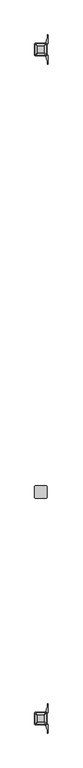
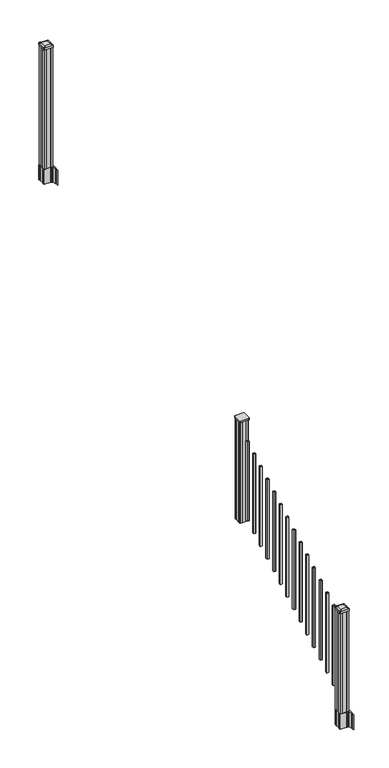
"""IFC4 building model written with IfcOpenShell, lengths in millimetres: railing geometry."""

import ifcopenshell
import ifcopenshell.guid

model = None  # the IFC model being written
_history = None  # IfcOwnerHistory: only IFC2X3 demands one
_inside = {}  # id of a spatial element -> (the spatial element, [elements in it])
_under = {}  # id of a project, library or spatial element -> (it, [spatial elements below it])
_declared = {}  # id of a project -> (the project, [libraries it declares])
_typed = {}  # id of a type object -> (the type object, [elements of that type])
_made_of = {}  # id of a material, layer set ... -> (it, [elements and type objects made of it])


def new_model(schema):
    """Start an empty IFC model of exactly this schema.

    Asked for "IFC4X3", IfcOpenShell would pick the latest addendum, in which some entities
    have other attributes; the version numbers below select the first issue.
    IFC2X3 requires an IfcOwnerHistory on every rooted entity: one is made here for all.
    """
    global model, _history
    if schema == "IFC4X3":
        model = ifcopenshell.file(schema_version=(4, 3, 0, 0))
    else:
        model = ifcopenshell.file(schema=schema)
    _inside.clear()
    _under.clear()
    _declared.clear()
    _typed.clear()
    _made_of.clear()
    _history = None
    if model.schema == "IFC2X3":
        org = make("IfcOrganization", Name="unknown")
        user = make(
            "IfcPersonAndOrganization",
            ThePerson=make("IfcPerson", FamilyName="unknown"),
            TheOrganization=org,
        )
        app = make(
            "IfcApplication",
            ApplicationDeveloper=org,
            Version="unknown",
            ApplicationFullName="unknown",
            ApplicationIdentifier="unknown",
        )
        _history = make(
            "IfcOwnerHistory",
            OwningUser=user,
            OwningApplication=app,
            ChangeAction="ADDED",
            CreationDate=0,
        )
    return model


def make(cls, **values):
    """One entity of the class cls with the attributes given. An attribute that is None is left unset."""
    return model.create_entity(
        cls, **{name: value for name, value in values.items() if value is not None}
    )


def rooted(cls, **values):
    """An entity with a GlobalId (a new one), such as an element, a storey or a relation."""
    return make(cls, GlobalId=ifcopenshell.guid.new(), OwnerHistory=_history, **values)


def si_unit(unit_type, name, prefix=None):
    """IfcSIUnit, for example si_unit("LENGTHUNIT", "METRE", prefix="MILLI")."""
    return make("IfcSIUnit", UnitType=unit_type, Prefix=prefix, Name=name)


def assignment(units):
    """IfcUnitAssignment: the units of a project."""
    return None if units is None else make("IfcUnitAssignment", Units=units)


def point(xyz):
    """IfcCartesianPoint."""
    return None if xyz is None else make("IfcCartesianPoint", Coordinates=xyz)


def direction(xyz):
    """IfcDirection."""
    return None if xyz is None else make("IfcDirection", DirectionRatios=xyz)


def frame(location, z_axis=None, x_axis=None):
    """IfcAxis2Placement3D, a coordinate frame: its origin and axes. An axis left out is left unset."""
    return make(
        "IfcAxis2Placement3D",
        Location=point(location),
        Axis=direction(z_axis),
        RefDirection=direction(x_axis),
    )


def frame_2d(location, x_axis=None):
    """IfcAxis2Placement2D, a coordinate frame in the plane: its origin and x axis."""
    return make(
        "IfcAxis2Placement2D", Location=point(location), RefDirection=direction(x_axis)
    )


def origin():
    """The frame at (0, 0, 0) with its axes left unset."""
    return frame((0.0, 0.0, 0.0))


def place(relative_to, where):
    """IfcLocalPlacement: puts the frame where relative to a parent placement (None: the world)."""
    return make(
        "IfcLocalPlacement", PlacementRelTo=relative_to, RelativePlacement=where
    )


def context(
    kind, dimensions, precision=None, world=None, true_north=None, identifier=None
):
    """IfcGeometricRepresentationContext, for example the 3D "Model" context."""
    return make(
        "IfcGeometricRepresentationContext",
        ContextIdentifier=identifier,
        ContextType=kind,
        CoordinateSpaceDimension=dimensions,
        Precision=precision,
        WorldCoordinateSystem=world,
        TrueNorth=true_north,
    )


def project(units=None, contexts=None):
    """IfcProject with its units and contexts."""
    return rooted(
        "IfcProject",
        Name="project",
        RepresentationContexts=contexts,
        UnitsInContext=assignment(units),
    )


def spatial(cls, under=None, at=None, **own):
    """A site, building, storey or space (cls), placed at a placement, below another one or the project."""
    s = rooted(cls, ObjectPlacement=at, **own)
    if under is not None:
        _under.setdefault(under.id(), (under, []))[1].append(s)
    return s


def polyline(points):
    """IfcPolyline through the points."""
    return make("IfcPolyline", Points=[point(p) for p in points])


def circle_curve(where, radius):
    """IfcCircle in the frame where."""
    return make("IfcCircle", Position=where, Radius=radius)


def trimmed(basis, trim1, trim2, sense, master):
    """IfcTrimmedCurve: the piece of a basis curve between two trims."""
    return make(
        "IfcTrimmedCurve",
        BasisCurve=basis,
        Trim1=trim1,
        Trim2=trim2,
        SenseAgreement=sense,
        MasterRepresentation=master,
    )


def segment(curve, same_sense, transition):
    """IfcCompositeCurveSegment."""
    return make(
        "IfcCompositeCurveSegment",
        Transition=transition,
        SameSense=same_sense,
        ParentCurve=curve,
    )


def composite_curve(segments, self_intersect=None):
    """IfcCompositeCurve: segments joined end to end."""
    return make("IfcCompositeCurve", Segments=segments, SelfIntersect=self_intersect)


def outline(outer, holes=None, kind="AREA"):
    """IfcArbitraryClosedProfileDef: a profile drawn as a closed curve; with holes, ...WithVoids."""
    if holes is None:
        return make("IfcArbitraryClosedProfileDef", ProfileType=kind, OuterCurve=outer)
    return make(
        "IfcArbitraryProfileDefWithVoids",
        ProfileType=kind,
        OuterCurve=outer,
        InnerCurves=holes,
    )


def extrude(swept, where, along, depth):
    """IfcExtrudedAreaSolid: the profile swept, set in the frame where, extruded along a direction by depth."""
    return make(
        "IfcExtrudedAreaSolid",
        SweptArea=swept,
        Position=where,
        ExtrudedDirection=direction(along),
        Depth=depth,
    )


def shape(context_of_items, identifier, shape_type, items):
    """IfcShapeRepresentation: the items that make up one representation, for example the "Body"."""
    return make(
        "IfcShapeRepresentation",
        ContextOfItems=context_of_items,
        RepresentationIdentifier=identifier,
        RepresentationType=shape_type,
        Items=items,
    )


def source(mapping_origin, context_of_items, identifier, shape_type, items):
    """IfcRepresentationMap: a shape defined once, which mapped items show again and again."""
    return make(
        "IfcRepresentationMap",
        MappingOrigin=mapping_origin,
        MappedRepresentation=shape(context_of_items, identifier, shape_type, items),
    )


def transform(
    local_origin,
    x_axis=None,
    y_axis=None,
    z_axis=None,
    scale=None,
    scale2=None,
    scale3=None,
    uniform=True,
):
    """IfcCartesianTransformationOperator3D, or its non-uniform kind. x_axis, y_axis, z_axis: its Axis1, 2, 3."""
    if uniform:
        return make(
            "IfcCartesianTransformationOperator3D",
            Axis1=direction(x_axis),
            Axis2=direction(y_axis),
            LocalOrigin=point(local_origin),
            Scale=scale,
            Axis3=direction(z_axis),
        )
    return make(
        "IfcCartesianTransformationOperator3DnonUniform",
        Axis1=direction(x_axis),
        Axis2=direction(y_axis),
        LocalOrigin=point(local_origin),
        Scale=scale,
        Axis3=direction(z_axis),
        Scale2=scale2,
        Scale3=scale3,
    )


def mapped(mapping_source, mapping_target):
    """IfcMappedItem: shows the shape of a source again, moved by a transform."""
    return make(
        "IfcMappedItem", MappingSource=mapping_source, MappingTarget=mapping_target
    )


def made_of(thing, what):
    """Note that an element or type object is made of a material, layer set ...; save() writes the relation."""
    if what is not None:
        _made_of.setdefault(what.id(), (what, []))[1].append(thing)
    return thing


def element(
    cls,
    number,
    at=None,
    inside=None,
    cuts=None,
    type_object=None,
    material=None,
    context=None,
    identifier="Body",
    shape_type=None,
    held_by="IfcProductDefinitionShape",
    body=None,
    shapes=None,
    **own,
):
    """One element of the class cls, such as IfcWall. Its Tag is "e" and its number.

    at: its placement. inside: the storey or other place that contains it. cuts: it is an
    opening in that element (IfcRelVoidsElement). A single representation is given by context,
    identifier, shape_type and body (its items); several are given by shapes. held_by: the class
    of the entity that holds the representations. save() writes the other relations.
    """
    e = rooted(cls, Tag="e%d" % number, ObjectPlacement=at, **own)
    if body is not None:
        shapes = [shape(context, identifier, shape_type, body)]
    if shapes is not None:
        e.Representation = make(held_by, Representations=shapes)
    if inside is not None:
        _inside.setdefault(inside.id(), (inside, []))[1].append(e)
    if cuts is not None:
        rooted(
            "IfcRelVoidsElement", RelatingBuildingElement=cuts, RelatedOpeningElement=e
        )
    if type_object is not None:
        _typed.setdefault(type_object.id(), (type_object, []))[1].append(e)
    return made_of(e, material)


def aggregate(whole, parts):
    """IfcRelAggregates: a whole, such as a stair, and the parts it consists of."""
    return rooted("IfcRelAggregates", RelatingObject=whole, RelatedObjects=parts)


def save(model, path):
    """Write the relations noted so far, then the file.

    IfcRelAggregates (storeys below a building ...), IfcRelContainedInSpatialStructure (elements
    in a storey), IfcRelDefinesByType, IfcRelAssociatesMaterial and IfcRelDeclares: one each for
    every whole, place, type object, material and project.
    """
    for whole, parts in _under.values():
        aggregate(whole, parts)
    for where, things in _inside.values():
        rooted(
            "IfcRelContainedInSpatialStructure",
            RelatedElements=things,
            RelatingStructure=where,
        )
    for kind, things in _typed.values():
        rooted("IfcRelDefinesByType", RelatedObjects=things, RelatingType=kind)
    for what, things in _made_of.values():
        rooted("IfcRelAssociatesMaterial", RelatedObjects=things, RelatingMaterial=what)
    for by, libraries in _declared.values():
        rooted("IfcRelDeclares", RelatingContext=by, RelatedDefinitions=libraries)
    model.write(path)


def plane_surface(at):
    """IfcPlane: the flat surface through the origin of the frame at, square to its z axis."""
    return make("IfcPlane", Position=at)


def extruded_surface(curve, direction_of_extrusion, depth):
    """IfcSurfaceOfLinearExtrusion: the curve pushed along a direction by depth."""
    return make(
        "IfcSurfaceOfLinearExtrusion",
        SweptCurve=make("IfcArbitraryOpenProfileDef", ProfileType="CURVE", Curve=curve),
        ExtrudedDirection=direction(direction_of_extrusion),
        Depth=depth,
    )


def advanced_brep(points, edges, surfaces, faces):
    """IfcAdvancedBrep: a solid bounded by faces that lie on surfaces and meet in shared edges.

    An edge is (start, end): straight between two places in points (the first is 0);
    or (start, end, curve); or (start, end, curve, False) where it runs against its curve.
    A face is (place in surfaces, loops), or (place, loops, False) where it looks against
    its surface's normal. A loop lists edges by number (the first is 1), with a minus sign
    where the edge is run from its end to its start. The first loop is the outer one.
    """
    corners = [point(p) for p in points]
    vertices = [make("IfcVertexPoint", VertexGeometry=c) for c in corners]
    made = []
    for start, end, *more in edges:
        made.append(
            make(
                "IfcEdgeCurve",
                EdgeStart=vertices[start],
                EdgeEnd=vertices[end],
                EdgeGeometry=more[0] if more else make("IfcPolyline", Points=[corners[start], corners[end]]),
                SameSense=more[1] if len(more) > 1 else True,
            )
        )
    hull = []
    for where, loops, *sense in faces:
        bounds = []
        for j, loop in enumerate(loops):
            ring = [make("IfcOrientedEdge", EdgeElement=made[abs(k) - 1], Orientation=k > 0) for k in loop]
            bounds.append(
                make(
                    "IfcFaceOuterBound" if j == 0 else "IfcFaceBound",
                    Bound=make("IfcEdgeLoop", EdgeList=ring),
                    Orientation=True,
                )
            )
        hull.append(make("IfcAdvancedFace", Bounds=bounds, FaceSurface=surfaces[where], SameSense=sense[0] if sense else True))
    return make("IfcAdvancedBrep", Outer=make("IfcClosedShell", CfsFaces=hull))


def railing_19fe849a(model_context):
    return source(origin(), model_context, "Body", "SolidModel", [
        extrude(outline(composite_curve([segment(polyline([(6151.9770784, -6077.7792181), (6067.8395784, -6077.7792181)]), True, "CONTINUOUS"), segment(trimmed(circle_curve(frame_2d((6067.8395784, -6074.6042181)), 3.175), [point((6067.8395784, -6077.7792181))], [point((6064.6645784, -6074.6042181))], False, "CARTESIAN"), True, "CONTINUOUS"), segment(polyline([(6064.6645784, -6074.6042181), (6064.6645784, -5990.4667181)]), True, "CONTINUOUS"), segment(trimmed(circle_curve(frame_2d((6067.8395784, -5990.4667181)), 3.175), [point((6064.6645784, -5990.4667181))], [point((6067.8395784, -5987.2917181))], False, "CARTESIAN"), True, "CONTINUOUS"), segment(polyline([(6067.8395784, -5987.2917181), (6151.9770784, -5987.2917181)]), True, "CONTINUOUS"), segment(trimmed(circle_curve(frame_2d((6151.9770784, -5990.4667181)), 3.175), [point((6151.9770784, -5987.2917181))], [point((6155.1520784, -5990.4667181))], False, "CARTESIAN"), True, "CONTINUOUS"), segment(polyline([(6155.1520784, -5990.4667181), (6155.1520784, -6074.6042181)]), True, "CONTINUOUS"), segment(trimmed(circle_curve(frame_2d((6151.9770784, -6074.6042181)), 3.175), [point((6155.1520784, -6074.6042181))], [point((6151.9770784, -6077.7792181))], False, "CARTESIAN"), True, "CONTINUOUS")], self_intersect=False)), frame((0.0, 0.0, 2110.2998186), z_axis=(0.0, 0.0, 1.0), x_axis=(1.0, 0.0, 0.0)), (0.0, 0.0, 1.0), 17.272),
        extrude(outline(polyline([(6149.5958284, -6073.8104681), (6129.9743284, -6073.8104681), (6129.2123284, -6072.2229681), (6090.6043284, -6072.2229681), (6089.8423284, -6073.8104681), (6070.2208284, -6073.8104681), (6068.6333284, -6072.2229681), (6068.6333284, -6052.6014681), (6070.2208284, -6051.8394681), (6070.2208284, -6013.2314681), (6068.6333284, -6012.4694681), (6068.6333284, -5992.8479681), (6070.2208284, -5991.2604681), (6089.8423284, -5991.2604681), (6090.6043284, -5992.8479681), (6129.2123284, -5992.8479681), (6129.9743284, -5991.2604681), (6149.5958284, -5991.2604681), (6151.1833284, -5992.8479681), (6151.1833284, -6012.4694681), (6149.5958284, -6013.2314681), (6149.5958284, -6051.8394681), (6151.1833284, -6052.6014681), (6151.1833284, -6072.2229681), (6149.5958284, -6073.8104681)])), frame((0.0, 0.0, 1078.9355556), z_axis=(0.0, 0.0, 1.0), x_axis=(1.0, 0.0, 0.0)), (0.0, 0.0, 1.0), 1031.364263),
        extrude(outline(polyline([(6100.3833284, -6137.5644681), (6100.3833284, -6118.5144681), (6119.4333284, -6118.5144681), (6119.4333284, -6137.5644681), (6100.3833284, -6137.5644681)]), holes=[polyline([(6100.7802034, -6137.1675931), (6119.0364534, -6137.1675931), (6119.0364534, -6118.9113431), (6100.7802034, -6118.9113431), (6100.7802034, -6137.1675931)])]), frame((0.0, 0.0, 1127.4736558), z_axis=(0.0, 0.0, 1.0), x_axis=(1.0, 0.0, 0.0)), (0.0, 0.0, 1.0), 812.8041219),
        extrude(outline(polyline([(6100.3833284, -6248.8164681), (6100.3833284, -6229.7664681), (6119.4333284, -6229.7664681), (6119.4333284, -6248.8164681), (6100.3833284, -6248.8164681)]), holes=[polyline([(6100.7802034, -6248.4195931), (6119.0364534, -6248.4195931), (6119.0364534, -6230.1633431), (6100.7802034, -6230.1633431), (6100.7802034, -6248.4195931)])]), frame((0.0, 0.0, 1065.6669892), z_axis=(0.0, 0.0, 1.0), x_axis=(1.0, 0.0, 0.0)), (0.0, 0.0, 1.0), 812.8041219),
        extrude(outline(polyline([(6100.3833284, -6360.0684681), (6100.3833284, -6341.0184681), (6119.4333284, -6341.0184681), (6119.4333284, -6360.0684681), (6100.3833284, -6360.0684681)]), holes=[polyline([(6100.7802034, -6359.6715931), (6119.0364534, -6359.6715931), (6119.0364534, -6341.4153431), (6100.7802034, -6341.4153431), (6100.7802034, -6359.6715931)])]), frame((0.0, 0.0, 1003.8603225), z_axis=(0.0, 0.0, 1.0), x_axis=(1.0, 0.0, 0.0)), (0.0, 0.0, 1.0), 812.8041219),
        extrude(outline(polyline([(6100.3833284, -6471.3204681), (6100.3833284, -6452.2704681), (6119.4333284, -6452.2704681), (6119.4333284, -6471.3204681), (6100.3833284, -6471.3204681)]), holes=[polyline([(6100.7802034, -6470.9235931), (6119.0364534, -6470.9235931), (6119.0364534, -6452.6673431), (6100.7802034, -6452.6673431), (6100.7802034, -6470.9235931)])]), frame((0.0, 0.0, 942.0536558), z_axis=(0.0, 0.0, 1.0), x_axis=(1.0, 0.0, 0.0)), (0.0, 0.0, 1.0), 812.8041219),
        extrude(outline(polyline([(6100.3833284, -6582.5724681), (6100.3833284, -6563.5224681), (6119.4333284, -6563.5224681), (6119.4333284, -6582.5724681), (6100.3833284, -6582.5724681)]), holes=[polyline([(6100.7802034, -6582.1755931), (6119.0364534, -6582.1755931), (6119.0364534, -6563.9193431), (6100.7802034, -6563.9193431), (6100.7802034, -6582.1755931)])]), frame((0.0, 0.0, 880.2469892), z_axis=(0.0, 0.0, 1.0), x_axis=(1.0, 0.0, 0.0)), (0.0, 0.0, 1.0), 812.8041219),
        extrude(outline(polyline([(6100.3833284, -6693.8244681), (6100.3833284, -6674.7744681), (6119.4333284, -6674.7744681), (6119.4333284, -6693.8244681), (6100.3833284, -6693.8244681)]), holes=[polyline([(6100.7802034, -6693.4275931), (6119.0364534, -6693.4275931), (6119.0364534, -6675.1713431), (6100.7802034, -6675.1713431), (6100.7802034, -6693.4275931)])]), frame((0.0, 0.0, 818.4403225), z_axis=(0.0, 0.0, 1.0), x_axis=(1.0, 0.0, 0.0)), (0.0, 0.0, 1.0), 812.8041219),
        extrude(outline(polyline([(6100.3833284, -6805.0764681), (6100.3833284, -6786.0264681), (6119.4333284, -6786.0264681), (6119.4333284, -6805.0764681), (6100.3833284, -6805.0764681)]), holes=[polyline([(6100.7802034, -6804.6795931), (6119.0364534, -6804.6795931), (6119.0364534, -6786.4233431), (6100.7802034, -6786.4233431), (6100.7802034, -6804.6795931)])]), frame((0.0, 0.0, 756.6336558), z_axis=(0.0, 0.0, 1.0), x_axis=(1.0, 0.0, 0.0)), (0.0, 0.0, 1.0), 812.8041219),
        extrude(outline(polyline([(6100.3833284, -6916.3284681), (6100.3833284, -6897.2784681), (6119.4333284, -6897.2784681), (6119.4333284, -6916.3284681), (6100.3833284, -6916.3284681)]), holes=[polyline([(6100.7802034, -6915.9315931), (6119.0364534, -6915.9315931), (6119.0364534, -6897.6753431), (6100.7802034, -6897.6753431), (6100.7802034, -6915.9315931)])]), frame((0.0, 0.0, 694.8269892), z_axis=(0.0, 0.0, 1.0), x_axis=(1.0, 0.0, 0.0)), (0.0, 0.0, 1.0), 812.8041219),
        extrude(outline(polyline([(6100.3833284, -7027.5804681), (6100.3833284, -7008.5304681), (6119.4333284, -7008.5304681), (6119.4333284, -7027.5804681), (6100.3833284, -7027.5804681)]), holes=[polyline([(6100.7802034, -7027.1835931), (6119.0364534, -7027.1835931), (6119.0364534, -7008.9273431), (6100.7802034, -7008.9273431), (6100.7802034, -7027.1835931)])]), frame((0.0, 0.0, 633.0203225), z_axis=(0.0, 0.0, 1.0), x_axis=(1.0, 0.0, 0.0)), (0.0, 0.0, 1.0), 812.8041219),
        extrude(outline(polyline([(6100.3833284, -7138.8324681), (6100.3833284, -7119.7824681), (6119.4333284, -7119.7824681), (6119.4333284, -7138.8324681), (6100.3833284, -7138.8324681)]), holes=[polyline([(6100.7802034, -7138.4355931), (6119.0364534, -7138.4355931), (6119.0364534, -7120.1793431), (6100.7802034, -7120.1793431), (6100.7802034, -7138.4355931)])]), frame((0.0, 0.0, 571.2136558), z_axis=(0.0, 0.0, 1.0), x_axis=(1.0, 0.0, 0.0)), (0.0, 0.0, 1.0), 812.8041219),
        extrude(outline(polyline([(6100.3833284, -7250.0844681), (6100.3833284, -7231.0344681), (6119.4333284, -7231.0344681), (6119.4333284, -7250.0844681), (6100.3833284, -7250.0844681)]), holes=[polyline([(6100.7802034, -7249.6875931), (6119.0364534, -7249.6875931), (6119.0364534, -7231.4313431), (6100.7802034, -7231.4313431), (6100.7802034, -7249.6875931)])]), frame((0.0, 0.0, 509.4069892), z_axis=(0.0, 0.0, 1.0), x_axis=(1.0, 0.0, 0.0)), (0.0, 0.0, 1.0), 812.8041219),
        extrude(outline(polyline([(6100.3833284, -7361.3364681), (6100.3833284, -7342.2864681), (6119.4333284, -7342.2864681), (6119.4333284, -7361.3364681), (6100.3833284, -7361.3364681)]), holes=[polyline([(6100.7802034, -7360.9395931), (6119.0364534, -7360.9395931), (6119.0364534, -7342.6833431), (6100.7802034, -7342.6833431), (6100.7802034, -7360.9395931)])]), frame((0.0, 0.0, 447.6003225), z_axis=(0.0, 0.0, 1.0), x_axis=(1.0, 0.0, 0.0)), (0.0, 0.0, 1.0), 812.8041219),
        extrude(outline(polyline([(6100.3833284, -7472.5884681), (6100.3833284, -7453.5384681), (6119.4333284, -7453.5384681), (6119.4333284, -7472.5884681), (6100.3833284, -7472.5884681)]), holes=[polyline([(6100.7802034, -7472.1915931), (6119.0364534, -7472.1915931), (6119.0364534, -7453.9353431), (6100.7802034, -7453.9353431), (6100.7802034, -7472.1915931)])]), frame((0.0, 0.0, 385.7936558), z_axis=(0.0, 0.0, 1.0), x_axis=(1.0, 0.0, 0.0)), (0.0, 0.0, 1.0), 812.8041219),
        extrude(outline(polyline([(6100.3833284, -7583.8404681), (6100.3833284, -7564.7904681), (6119.4333284, -7564.7904681), (6119.4333284, -7583.8404681), (6100.3833284, -7583.8404681)]), holes=[polyline([(6100.7802034, -7583.4435931), (6119.0364534, -7583.4435931), (6119.0364534, -7565.1873431), (6100.7802034, -7565.1873431), (6100.7802034, -7583.4435931)])]), frame((0.0, 0.0, 323.9869892), z_axis=(0.0, 0.0, 1.0), x_axis=(1.0, 0.0, 0.0)), (0.0, 0.0, 1.0), 812.8041219),
        extrude(outline(polyline([(6149.5958284, -2792.8924681), (6129.9743284, -2792.8924681), (6129.2123284, -2791.3049681), (6090.6043284, -2791.3049681), (6089.8423284, -2792.8924681), (6070.2208284, -2792.8924681), (6068.6333284, -2791.3049681), (6068.6333284, -2771.6834681), (6070.2208284, -2770.9214681), (6070.2208284, -2732.3134681), (6068.6333284, -2731.5514681), (6068.6333284, -2711.9299681), (6070.2208284, -2710.3424681), (6089.8423284, -2710.3424681), (6090.6043284, -2711.9299681), (6129.2123284, -2711.9299681), (6129.9743284, -2710.3424681), (6149.5958284, -2710.3424681), (6151.1833284, -2711.9299681), (6151.1833284, -2731.5514681), (6149.5958284, -2732.3134681), (6149.5958284, -2770.9214681), (6151.1833284, -2771.6834681), (6151.1833284, -2791.3049681), (6149.5958284, -2792.8924681)])), frame((0.0, 0.0, 2709.3333333), z_axis=(0.0, 0.0, 1.0), x_axis=(1.0, 0.0, 0.0)), (0.0, 0.0, 1.0), 1223.6987075),
        extrude(outline(composite_curve([segment(polyline([(6067.1728284, -2769.003563), (6067.1728284, -2734.2313732), (6065.5853284, -2733.4693732), (6065.5853284, -2710.6674452), (6068.9583054, -2707.2944681), (6130.4179763, -2707.2944681), (6130.4179763, -2706.3737181), (6135.7355201, -2706.3737181), (6135.7355201, -2704.9194634), (6140.8200498, -2704.9194634), (6140.8200498, -2703.6354396), (6142.4873221, -2703.6354396)]), True, "CONTINUOUS"), segment(trimmed(circle_curve(frame_2d((6142.4873221, -2696.5759797)), 7.0594599), [point((6142.4873221, -2703.6354396))], [point((6149.2545849, -2698.5859864))], True, "CARTESIAN"), True, "CONTINUOUS"), segment(polyline([(6149.2545849, -2698.5859864), (6157.1287792, -2672.0752573)]), True, "CONTINUOUS"), segment(trimmed(circle_curve(frame_2d((6102.3442659, -2655.8032076)), 57.15), [point((6157.1287792, -2672.0752573))], [point((6159.4942659, -2655.8032076))], True, "CARTESIAN"), True, "CONTINUOUS"), segment(polyline([(6159.4942659, -2655.8032076), (6159.4942659, -2643.7944681), (6162.4942659, -2643.7944681), (6162.4942659, -2708.8819681), (6154.2313284, -2720.2202594), (6154.2313284, -2733.4693732), (6152.6438284, -2734.2313732), (6152.6438284, -2769.003563), (6154.2313284, -2769.765563), (6154.2313284, -2783.0146768), (6162.4942659, -2794.3529681), (6162.4942659, -2859.4404681), (6159.4942659, -2859.4404681), (6159.4942659, -2847.4317285)]), True, "CONTINUOUS"), segment(trimmed(circle_curve(frame_2d((6102.3442659, -2847.4317285)), 57.15), [point((6159.4942659, -2847.4317285))], [point((6157.1287792, -2831.1596789))], True, "CARTESIAN"), True, "CONTINUOUS"), segment(polyline([(6157.1287792, -2831.1596789), (6149.2545849, -2804.6489498)]), True, "CONTINUOUS"), segment(trimmed(circle_curve(frame_2d((6142.4873221, -2806.6589565)), 7.0594599), [point((6149.2545849, -2804.6489498))], [point((6142.4873221, -2799.5994966))], True, "CARTESIAN"), True, "CONTINUOUS"), segment(polyline([(6142.4873221, -2799.5994966), (6140.8200498, -2799.5994966), (6140.8200498, -2798.3154728), (6135.7355201, -2798.3154728), (6135.7355201, -2796.8612181), (6130.4179763, -2796.8612181), (6130.4179763, -2795.9404681), (6068.9583054, -2795.9404681), (6065.5853284, -2792.567491), (6065.5853284, -2769.765563), (6067.1728284, -2769.003563)]), True, "CONTINUOUS")], self_intersect=False), holes=[polyline([(6151.1833284, -2711.9299681), (6149.5958284, -2710.3424681), (6112.6715458, -2710.3424681), (6070.2208284, -2710.3424681), (6068.6333284, -2711.9299681), (6068.6333284, -2791.3049681), (6070.2208284, -2792.8924681), (6112.6715458, -2792.8924681), (6149.5958284, -2792.8924681), (6151.1833284, -2791.3049681), (6151.1833284, -2711.9299681)])]), frame((0.0, 0.0, 2556.9333333), z_axis=(0.0, 0.0, 1.0), x_axis=(1.0, 0.0, 0.0)), (0.0, 0.0, 1.0), 152.4),
        advanced_brep(
        [(6135.7052034, -2780.5893431, 3961.6070408), (6138.8802034, -2777.4143431, 3961.6070408), (6138.8802034, -2725.8205931, 3961.6070408), (6135.7052034, -2722.6455931, 3961.6070408), (6084.1114534, -2722.6455931, 3961.6070408), (6080.9364534, -2725.8205931, 3961.6070408), (6080.9364534, -2777.4143431, 3961.6070408), (6084.1114534, -2780.5893431, 3961.6070408), (6151.9770784, -2796.8612181, 3950.3040408), (6067.8395784, -2796.8612181, 3950.3040408), (6064.6645784, -2793.6862181, 3950.3040408), (6064.6645784, -2709.5487181, 3950.3040408), (6067.8395784, -2706.3737181, 3950.3040408), (6151.9770784, -2706.3737181, 3950.3040408), (6155.1520784, -2709.5487181, 3950.3040408), (6155.1520784, -2793.6862181, 3950.3040408)],
        [
            (0, 1, circle_curve(frame((6135.7052034, -2777.4143431, 3961.6070408), z_axis=(0.0, 0.0, 1.0), x_axis=(0.0, 1.0, 0.0)), 3.175)),
            (1, 2),
            (2, 3, circle_curve(frame((6135.7052034, -2725.8205931, 3961.6070408), z_axis=(0.0, 0.0, 1.0), x_axis=(0.0, 1.0, 0.0)), 3.175)),
            (3, 4),
            (4, 5, circle_curve(frame((6084.1114534, -2725.8205931, 3961.6070408), z_axis=(0.0, 0.0, 1.0), x_axis=(0.0, 1.0, 0.0)), 3.175)),
            (5, 6),
            (6, 7, circle_curve(frame((6084.1114534, -2777.4143431, 3961.6070408), z_axis=(0.0, 0.0, 1.0), x_axis=(0.0, 1.0, 0.0)), 3.175)),
            (7, 0),
            (8, 9),
            (9, 10, circle_curve(frame((6067.8395784, -2793.6862181, 3950.3040408), z_axis=(0.0, 0.0, -1.0), x_axis=(0.0, 1.0, 0.0)), 3.175)),
            (10, 11),
            (11, 12, circle_curve(frame((6067.8395784, -2709.5487181, 3950.3040408), z_axis=(0.0, 0.0, -1.0), x_axis=(0.0, 1.0, 0.0)), 3.175)),
            (12, 13),
            (13, 14, circle_curve(frame((6151.9770784, -2709.5487181, 3950.3040408), z_axis=(0.0, 0.0, -1.0), x_axis=(0.0, 1.0, 0.0)), 3.175)),
            (14, 15),
            (15, 8, circle_curve(frame((6151.9770784, -2793.6862181, 3950.3040408), z_axis=(0.0, 0.0, -1.0), x_axis=(0.0, 1.0, 0.0)), 3.175)),
            (15, 1),
            (0, 8),
            (14, 2),
            (13, 3),
            (12, 4),
            (11, 5),
            (10, 6),
            (9, 7),
        ],
        [
            plane_surface(frame((6109.9083284, -2751.6174681, 3961.6070408), z_axis=(0.0, 0.0, 1.0), x_axis=(1.0, 0.0, 0.0))),
            plane_surface(frame((6109.9083284, -2751.6174681, 3950.3040408), z_axis=(0.0, 0.0, -1.0), x_axis=(1.0, 0.0, 0.0))),
            extruded_surface(trimmed(circle_curve(frame((6151.9770784, -2793.6862181, 3950.3040408), z_axis=(0.0, 0.0, 1.0), x_axis=(0.0, 1.0, 0.0)), 3.175), [point((6151.9770784, -2796.8612181, 3950.3040408))], [point((6155.1520784, -2793.6862181, 3950.3040408))], True, "CARTESIAN"), (-16.271875000000364, 16.27187499999991, 11.302999999999884), 25.637972638866284),
            plane_surface(frame((6155.1520784, -2751.6174681, 3950.3040408), z_axis=(0.5705009161540686, 0.0, 0.8212969649690474), x_axis=(0.0, 1.0, 0.0))),
            extruded_surface(trimmed(circle_curve(frame((6151.9770784, -2709.5487181, 3950.3040408), z_axis=(0.0, 0.0, 1.0), x_axis=(0.0, 1.0, 0.0)), 3.175), [point((6155.1520784, -2709.5487181, 3950.3040408))], [point((6151.9770784, -2706.3737181, 3950.3040408))], True, "CARTESIAN"), (-16.271875000000364, -16.271875000000364, 11.302999999999884), 25.63797263886657),
            plane_surface(frame((6109.9083284, -2706.3737181, 3950.3040408), z_axis=(0.0, 0.5705009161540291, 0.8212969649690747), x_axis=(-1.0, 0.0, 0.0))),
            extruded_surface(trimmed(circle_curve(frame((6067.8395784, -2709.5487181, 3950.3040408), z_axis=(0.0, 0.0, 1.0), x_axis=(0.0, 1.0, 0.0)), 3.175), [point((6067.8395784, -2706.3737181, 3950.3040408))], [point((6064.6645784, -2709.5487181, 3950.3040408))], True, "CARTESIAN"), (16.271874999999454, -16.271875000000364, 11.302999999999884), 25.637972638865996),
            plane_surface(frame((6064.6645784, -2751.6174681, 3950.3040408), z_axis=(-0.5705009161540234, 0.0, 0.8212969649690787), x_axis=(0.0, -1.0, 0.0))),
            extruded_surface(trimmed(circle_curve(frame((6067.8395784, -2793.6862181, 3950.3040408), z_axis=(0.0, 0.0, 1.0), x_axis=(0.0, 1.0, 0.0)), 3.175), [point((6064.6645784, -2793.6862181, 3950.3040408))], [point((6067.8395784, -2796.8612181, 3950.3040408))], True, "CARTESIAN"), (16.271874999999454, 16.27187499999991, 11.302999999999884), 25.63797263886571),
            plane_surface(frame((6109.9083284, -2796.8612181, 3950.3040408), z_axis=(0.0, -0.570500916154034, 0.8212969649690713), x_axis=(1.0, 0.0, 0.0))),
        ],
        [
            (0, [[1, 2, 3, 4, 5, 6, 7, 8]]),
            (1, [[9, 10, 11, 12, 13, 14, 15, 16]]),
            (2, [[-16, 17, -1, 18]]),
            (3, [[-15, 19, -2, -17]]),
            (4, [[-14, 20, -3, -19]]),
            (5, [[-13, 21, -4, -20]]),
            (6, [[-12, 22, -5, -21]]),
            (7, [[-11, 23, -6, -22]]),
            (8, [[-10, 24, -7, -23]]),
            (9, [[-9, -18, -8, -24]]),
        ],
    ),
        extrude(outline(composite_curve([segment(polyline([(6151.9770784, -2796.8612181), (6067.8395784, -2796.8612181)]), True, "CONTINUOUS"), segment(trimmed(circle_curve(frame_2d((6067.8395784, -2793.6862181)), 3.175), [point((6067.8395784, -2796.8612181))], [point((6064.6645784, -2793.6862181))], False, "CARTESIAN"), True, "CONTINUOUS"), segment(polyline([(6064.6645784, -2793.6862181), (6064.6645784, -2709.5487181)]), True, "CONTINUOUS"), segment(trimmed(circle_curve(frame_2d((6067.8395784, -2709.5487181)), 3.175), [point((6064.6645784, -2709.5487181))], [point((6067.8395784, -2706.3737181))], False, "CARTESIAN"), True, "CONTINUOUS"), segment(polyline([(6067.8395784, -2706.3737181), (6151.9770784, -2706.3737181)]), True, "CONTINUOUS"), segment(trimmed(circle_curve(frame_2d((6151.9770784, -2709.5487181)), 3.175), [point((6151.9770784, -2706.3737181))], [point((6155.1520784, -2709.5487181))], False, "CARTESIAN"), True, "CONTINUOUS"), segment(polyline([(6155.1520784, -2709.5487181), (6155.1520784, -2793.6862181)]), True, "CONTINUOUS"), segment(trimmed(circle_curve(frame_2d((6151.9770784, -2793.6862181)), 3.175), [point((6155.1520784, -2793.6862181))], [point((6151.9770784, -2796.8612181))], False, "CARTESIAN"), True, "CONTINUOUS")], self_intersect=False)), frame((0.0, 0.0, 3933.0320408), z_axis=(0.0, 0.0, 1.0), x_axis=(1.0, 0.0, 0.0)), (0.0, 0.0, 1.0), 17.272),
        extrude(outline(composite_curve([segment(polyline([(6067.1728284, -7728.607563), (6067.1728284, -7693.8353732), (6065.5853284, -7693.0733732), (6065.5853284, -7670.2714452), (6068.9583054, -7666.8984681), (6130.4179763, -7666.8984681), (6130.4179763, -7665.9777181), (6135.7355201, -7665.9777181), (6135.7355201, -7664.5234634), (6140.8200498, -7664.5234634), (6140.8200498, -7663.2394396), (6142.4873221, -7663.2394396)]), True, "CONTINUOUS"), segment(trimmed(circle_curve(frame_2d((6142.4873221, -7656.1799797)), 7.0594599), [point((6142.4873221, -7663.2394396))], [point((6149.2545849, -7658.1899864))], True, "CARTESIAN"), True, "CONTINUOUS"), segment(polyline([(6149.2545849, -7658.1899864), (6157.1287792, -7631.6792573)]), True, "CONTINUOUS"), segment(trimmed(circle_curve(frame_2d((6102.3442659, -7615.4072076)), 57.15), [point((6157.1287792, -7631.6792573))], [point((6159.4942659, -7615.4072076))], True, "CARTESIAN"), True, "CONTINUOUS"), segment(polyline([(6159.4942659, -7615.4072076), (6159.4942659, -7603.3984681), (6162.4942659, -7603.3984681), (6162.4942659, -7668.4859681), (6154.2313284, -7679.8242594), (6154.2313284, -7693.0733732), (6152.6438284, -7693.8353732), (6152.6438284, -7728.607563), (6154.2313284, -7729.369563), (6154.2313284, -7742.6186768), (6162.4942659, -7753.9569681), (6162.4942659, -7819.0444681), (6159.4942659, -7819.0444681), (6159.4942659, -7807.0357285)]), True, "CONTINUOUS"), segment(trimmed(circle_curve(frame_2d((6102.3442659, -7807.0357285)), 57.15), [point((6159.4942659, -7807.0357285))], [point((6157.1287792, -7790.7636789))], True, "CARTESIAN"), True, "CONTINUOUS"), segment(polyline([(6157.1287792, -7790.7636789), (6149.2545849, -7764.2529498)]), True, "CONTINUOUS"), segment(trimmed(circle_curve(frame_2d((6142.4873221, -7766.2629565)), 7.0594599), [point((6149.2545849, -7764.2529498))], [point((6142.4873221, -7759.2034966))], True, "CARTESIAN"), True, "CONTINUOUS"), segment(polyline([(6142.4873221, -7759.2034966), (6140.8200498, -7759.2034966), (6140.8200498, -7757.9194728), (6135.7355201, -7757.9194728), (6135.7355201, -7756.4652181), (6130.4179763, -7756.4652181), (6130.4179763, -7755.5444681), (6068.9583054, -7755.5444681), (6065.5853284, -7752.171491), (6065.5853284, -7729.369563), (6067.1728284, -7728.607563)]), True, "CONTINUOUS")], self_intersect=False), holes=[polyline([(6151.1833284, -7671.5339681), (6149.5958284, -7669.9464681), (6112.6715458, -7669.9464681), (6070.2208284, -7669.9464681), (6068.6333284, -7671.5339681), (6068.6333284, -7750.9089681), (6070.2208284, -7752.4964681), (6112.6715458, -7752.4964681), (6149.5958284, -7752.4964681), (6151.1833284, -7750.9089681), (6151.1833284, -7671.5339681)])]), frame((0.0, 0.0, -6.0677778), z_axis=(0.0, 0.0, 1.0), x_axis=(1.0, 0.0, 0.0)), (0.0, 0.0, 1.0), 152.4),
        advanced_brep(
        [(6135.7052034, -7740.1933431, 1206.2714852), (6138.8802034, -7737.0183431, 1206.2714852), (6138.8802034, -7685.4245931, 1206.2714852), (6135.7052034, -7682.2495931, 1206.2714852), (6084.1114534, -7682.2495931, 1206.2714852), (6080.9364534, -7685.4245931, 1206.2714852), (6080.9364534, -7737.0183431, 1206.2714852), (6084.1114534, -7740.1933431, 1206.2714852), (6151.9770784, -7756.4652181, 1194.9684852), (6067.8395784, -7756.4652181, 1194.9684852), (6064.6645784, -7753.2902181, 1194.9684852), (6064.6645784, -7669.1527181, 1194.9684852), (6067.8395784, -7665.9777181, 1194.9684852), (6151.9770784, -7665.9777181, 1194.9684852), (6155.1520784, -7669.1527181, 1194.9684852), (6155.1520784, -7753.2902181, 1194.9684852)],
        [
            (0, 1, circle_curve(frame((6135.7052034, -7737.0183431, 1206.2714852), z_axis=(0.0, 0.0, 1.0), x_axis=(0.0, 1.0, 0.0)), 3.175)),
            (1, 2),
            (2, 3, circle_curve(frame((6135.7052034, -7685.4245931, 1206.2714852), z_axis=(0.0, 0.0, 1.0), x_axis=(0.0, 1.0, 0.0)), 3.175)),
            (3, 4),
            (4, 5, circle_curve(frame((6084.1114534, -7685.4245931, 1206.2714852), z_axis=(0.0, 0.0, 1.0), x_axis=(0.0, 1.0, 0.0)), 3.175)),
            (5, 6),
            (6, 7, circle_curve(frame((6084.1114534, -7737.0183431, 1206.2714852), z_axis=(0.0, 0.0, 1.0), x_axis=(0.0, 1.0, 0.0)), 3.175)),
            (7, 0),
            (8, 9),
            (9, 10, circle_curve(frame((6067.8395784, -7753.2902181, 1194.9684852), z_axis=(0.0, 0.0, -1.0), x_axis=(0.0, 1.0, 0.0)), 3.175)),
            (10, 11),
            (11, 12, circle_curve(frame((6067.8395784, -7669.1527181, 1194.9684852), z_axis=(0.0, 0.0, -1.0), x_axis=(0.0, 1.0, 0.0)), 3.175)),
            (12, 13),
            (13, 14, circle_curve(frame((6151.9770784, -7669.1527181, 1194.9684852), z_axis=(0.0, 0.0, -1.0), x_axis=(0.0, 1.0, 0.0)), 3.175)),
            (14, 15),
            (15, 8, circle_curve(frame((6151.9770784, -7753.2902181, 1194.9684852), z_axis=(0.0, 0.0, -1.0), x_axis=(0.0, 1.0, 0.0)), 3.175)),
            (15, 1),
            (0, 8),
            (14, 2),
            (13, 3),
            (12, 4),
            (11, 5),
            (10, 6),
            (9, 7),
        ],
        [
            plane_surface(frame((6109.9083284, -7711.2214681, 1206.2714852), z_axis=(0.0, 0.0, 1.0), x_axis=(1.0, 0.0, 0.0))),
            plane_surface(frame((6109.9083284, -7711.2214681, 1194.9684852), z_axis=(0.0, 0.0, -1.0), x_axis=(1.0, 0.0, 0.0))),
            extruded_surface(trimmed(circle_curve(frame((6151.9770784, -7753.2902181, 1194.9684852), z_axis=(0.0, 0.0, 1.0), x_axis=(0.0, 1.0, 0.0)), 3.175), [point((6151.9770784, -7756.4652181, 1194.9684852))], [point((6155.1520784, -7753.2902181, 1194.9684852))], True, "CARTESIAN"), (-16.271875000000364, 16.271875000000364, 11.302999999999884), 25.63797263886657),
            plane_surface(frame((6155.1520784, -7711.2214681, 1194.9684852), z_axis=(0.5705009161540778, 0.0, 0.8212969649690408), x_axis=(0.0, 1.0, 0.0))),
            extruded_surface(trimmed(circle_curve(frame((6151.9770784, -7669.1527181, 1194.9684852), z_axis=(0.0, 0.0, 1.0), x_axis=(0.0, 1.0, 0.0)), 3.175), [point((6155.1520784, -7669.1527181, 1194.9684852))], [point((6151.9770784, -7665.9777181, 1194.9684852))], True, "CARTESIAN"), (-16.271875000000364, -16.271874999999454, 11.302999999999884), 25.637972638865996),
            plane_surface(frame((6109.9083284, -7665.9777181, 1194.9684852), z_axis=(0.0, 0.5705009161540291, 0.8212969649690747), x_axis=(-1.0, 0.0, 0.0))),
            extruded_surface(trimmed(circle_curve(frame((6067.8395784, -7669.1527181, 1194.9684852), z_axis=(0.0, 0.0, 1.0), x_axis=(0.0, 1.0, 0.0)), 3.175), [point((6067.8395784, -7665.9777181, 1194.9684852))], [point((6064.6645784, -7669.1527181, 1194.9684852))], True, "CARTESIAN"), (16.271874999999454, -16.271874999999454, 11.302999999999884), 25.63797263886542),
            plane_surface(frame((6064.6645784, -7711.2214681, 1194.9684852), z_axis=(-0.5705009161540142, 0.0, 0.8212969649690851), x_axis=(0.0, -1.0, 0.0))),
            extruded_surface(trimmed(circle_curve(frame((6067.8395784, -7753.2902181, 1194.9684852), z_axis=(0.0, 0.0, 1.0), x_axis=(0.0, 1.0, 0.0)), 3.175), [point((6064.6645784, -7753.2902181, 1194.9684852))], [point((6067.8395784, -7756.4652181, 1194.9684852))], True, "CARTESIAN"), (16.271874999999454, 16.271875000000364, 11.302999999999884), 25.637972638865996),
            plane_surface(frame((6109.9083284, -7756.4652181, 1194.9684852), z_axis=(0.0, -0.570500916154034, 0.8212969649690713), x_axis=(1.0, 0.0, 0.0))),
        ],
        [
            (0, [[1, 2, 3, 4, 5, 6, 7, 8]]),
            (1, [[9, 10, 11, 12, 13, 14, 15, 16]]),
            (2, [[-16, 17, -1, 18]]),
            (3, [[-15, 19, -2, -17]]),
            (4, [[-14, 20, -3, -19]]),
            (5, [[-13, 21, -4, -20]]),
            (6, [[-12, 22, -5, -21]]),
            (7, [[-11, 23, -6, -22]]),
            (8, [[-10, 24, -7, -23]]),
            (9, [[-9, -18, -8, -24]]),
        ],
    ),
        extrude(outline(composite_curve([segment(polyline([(6151.9770784, -7756.4652181), (6067.8395784, -7756.4652181)]), True, "CONTINUOUS"), segment(trimmed(circle_curve(frame_2d((6067.8395784, -7753.2902181)), 3.175), [point((6067.8395784, -7756.4652181))], [point((6064.6645784, -7753.2902181))], False, "CARTESIAN"), True, "CONTINUOUS"), segment(polyline([(6064.6645784, -7753.2902181), (6064.6645784, -7669.1527181)]), True, "CONTINUOUS"), segment(trimmed(circle_curve(frame_2d((6067.8395784, -7669.1527181)), 3.175), [point((6064.6645784, -7669.1527181))], [point((6067.8395784, -7665.9777181))], False, "CARTESIAN"), True, "CONTINUOUS"), segment(polyline([(6067.8395784, -7665.9777181), (6151.9770784, -7665.9777181)]), True, "CONTINUOUS"), segment(trimmed(circle_curve(frame_2d((6151.9770784, -7669.1527181)), 3.175), [point((6151.9770784, -7665.9777181))], [point((6155.1520784, -7669.1527181))], False, "CARTESIAN"), True, "CONTINUOUS"), segment(polyline([(6155.1520784, -7669.1527181), (6155.1520784, -7753.2902181)]), True, "CONTINUOUS"), segment(trimmed(circle_curve(frame_2d((6151.9770784, -7753.2902181)), 3.175), [point((6155.1520784, -7753.2902181))], [point((6151.9770784, -7756.4652181))], False, "CARTESIAN"), True, "CONTINUOUS")], self_intersect=False)), frame((0.0, 0.0, 1177.6964852), z_axis=(0.0, 0.0, 1.0), x_axis=(1.0, 0.0, 0.0)), (0.0, 0.0, 1.0), 17.272),
        extrude(outline(polyline([(6149.5958284, -7752.4964681), (6129.9743284, -7752.4964681), (6129.2123284, -7750.9089681), (6090.6043284, -7750.9089681), (6089.8423284, -7752.4964681), (6070.2208284, -7752.4964681), (6068.6333284, -7750.9089681), (6068.6333284, -7731.2874681), (6070.2208284, -7730.5254681), (6070.2208284, -7691.9174681), (6068.6333284, -7691.1554681), (6068.6333284, -7671.5339681), (6070.2208284, -7669.9464681), (6089.8423284, -7669.9464681), (6090.6043284, -7671.5339681), (6129.2123284, -7671.5339681), (6129.9743284, -7669.9464681), (6149.5958284, -7669.9464681), (6151.1833284, -7671.5339681), (6151.1833284, -7691.1554681), (6149.5958284, -7691.9174681), (6149.5958284, -7730.5254681), (6151.1833284, -7731.2874681), (6151.1833284, -7750.9089681), (6149.5958284, -7752.4964681)])), frame((0.0, 0.0, 146.3322222), z_axis=(0.0, 0.0, 1.0), x_axis=(1.0, 0.0, 0.0)), (0.0, 0.0, 1.0), 1031.364263),
    ])


if __name__ == "__main__":
    model = new_model("IFC4")
    model_context = context("Model", 3, world=origin())
    ifc_project = project(units=[si_unit("LENGTHUNIT", "METRE", prefix="MILLI")], contexts=[model_context])
    site = spatial("IfcSite", under=ifc_project)
    building = spatial("IfcBuilding", under=site)
    placement = place(None, origin())
    railing_shape = railing_19fe849a(model_context)
    element("IfcRailing", 1, at=placement, inside=building, context=model_context, shape_type="MappedRepresentation", body=[
        mapped(railing_shape, transform((0.0, 0.0, 0.0), x_axis=(1.0, 0.0, 0.0), y_axis=(0.0, 1.0, 0.0), z_axis=(0.0, 0.0, 1.0))),
    ])
    save(model, "model.ifc")
